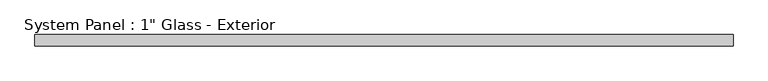
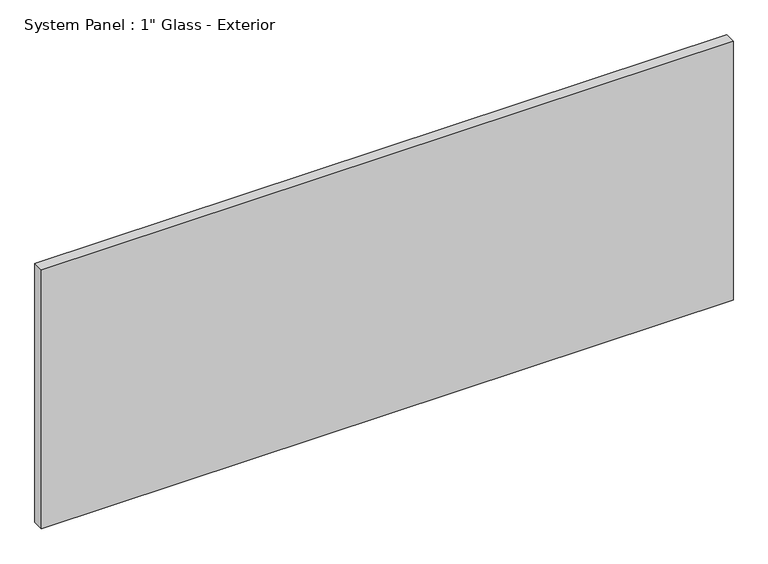
"""IFC4 building model written with IfcOpenShell, lengths in millimetres: plate geometry."""

from ifc_helpers import new_model, si_unit, origin, origin_with_axes, place, context, project, spatial, polyline, outline, extrude, source, transform, mapped, element, save


def plate_f24df5a2(model_context):
    return source(origin(), model_context, "Body", "SweptSolid", [
        extrude(outline(polyline([(770.6795043, 0.0), (-770.6795043, 0.0), (-770.6795043, 25.4), (770.6795043, 25.4), (770.6795043, 0.0)])), origin_with_axes(), (0.0, 0.0, 1.0), 609.6),
    ])


if __name__ == "__main__":
    model = new_model("IFC4")
    model_context = context("Model", 3, world=origin())
    ifc_project = project(units=[si_unit("LENGTHUNIT", "METRE", prefix="MILLI")], contexts=[model_context])
    site = spatial("IfcSite", under=ifc_project)
    building = spatial("IfcBuilding", under=site)
    placement = place(None, origin())
    plate_shape = plate_f24df5a2(model_context)
    element("IfcPlate", 1, ObjectType="System Panel : 1\" Glass - Exterior", at=placement, inside=building, context=model_context, shape_type="MappedRepresentation", body=[
        mapped(plate_shape, transform((0.0, 0.0, 0.0), x_axis=(1.0, 0.0, 0.0), y_axis=(0.0, 1.0, 0.0), z_axis=(0.0, 0.0, 1.0))),
    ])
    save(model, "model.ifc")
